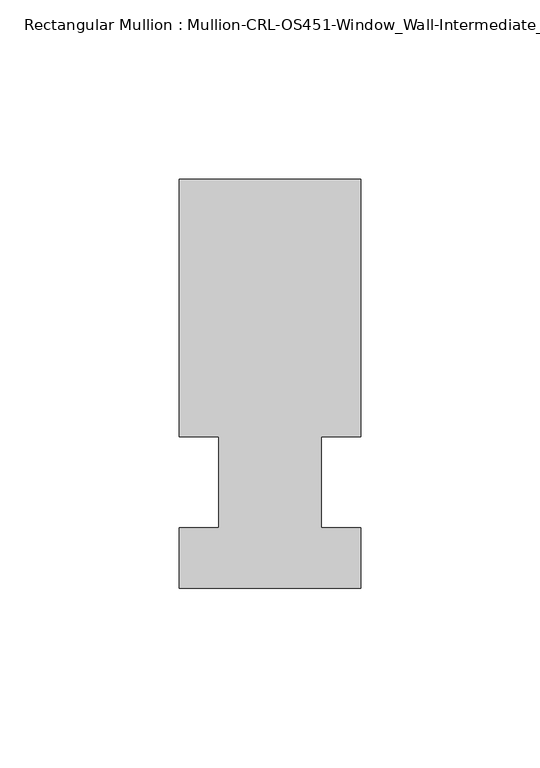
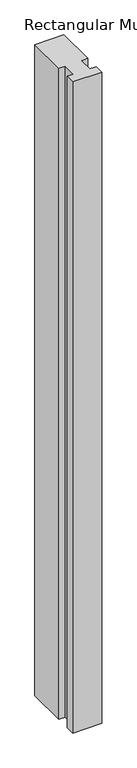
"""IFC4 building model written with IfcOpenShell, lengths in millimetres: member geometry, Rectangular Mullion : Mullion-CRL-OS451-Window_Wall-Intermediate_Horizontal-ext."""

from ifc_helpers import new_model, si_unit, frame, origin, place, context, project, spatial, polyline, outline, extrude, source, transform, mapped, element, save


def rectangular_mullion_mullion_crl_os451_window_wall_5fb942f8(model_context):
    return source(origin(), model_context, "Body", "SweptSolid", [
        extrude(outline(polyline([(-25.4, 12.7), (-25.4, 84.6587463), (25.4, 84.6587463), (25.4, 12.7), (14.3002899, 12.7), (14.3002899, -12.7), (25.4, -12.7), (25.4, -29.6531114), (-25.4, -29.6531114), (-25.4, -12.7), (-14.2786274, -12.7), (-14.2786274, 12.7), (-25.4, 12.7)])), frame((0.0, 0.0, -1204.3833332), z_axis=(0.0, 0.0, 1.0), x_axis=(1.0, 0.0, 0.0)), (0.0, 0.0, 1.0), 1204.3833332),
    ])


if __name__ == "__main__":
    model = new_model("IFC4")
    model_context = context("Model", 3, world=origin())
    ifc_project = project(units=[si_unit("LENGTHUNIT", "METRE", prefix="MILLI")], contexts=[model_context])
    site = spatial("IfcSite", under=ifc_project)
    building = spatial("IfcBuilding", under=site)
    placement = place(None, origin())
    rectangular_mullion_mullion_crl_os451_window_wall_shape = rectangular_mullion_mullion_crl_os451_window_wall_5fb942f8(model_context)
    element("IfcMember", 1, ObjectType="Rectangular Mullion : Mullion-CRL-OS451-Window_Wall-Intermediate_Horizontal-ext", at=placement, inside=building, context=model_context, shape_type="MappedRepresentation", body=[
        mapped(rectangular_mullion_mullion_crl_os451_window_wall_shape, transform((0.0, 0.0, 0.0), x_axis=(1.0, 0.0, 0.0), y_axis=(0.0, 1.0, 0.0), z_axis=(0.0, 0.0, 1.0))),
    ])
    save(model, "model.ifc")
